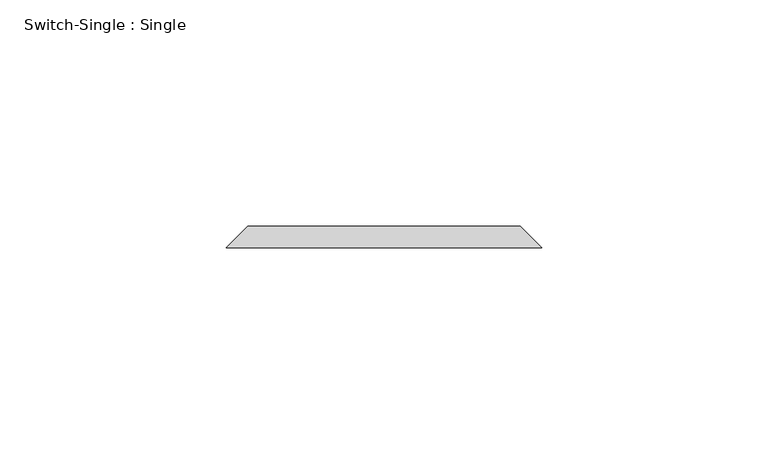
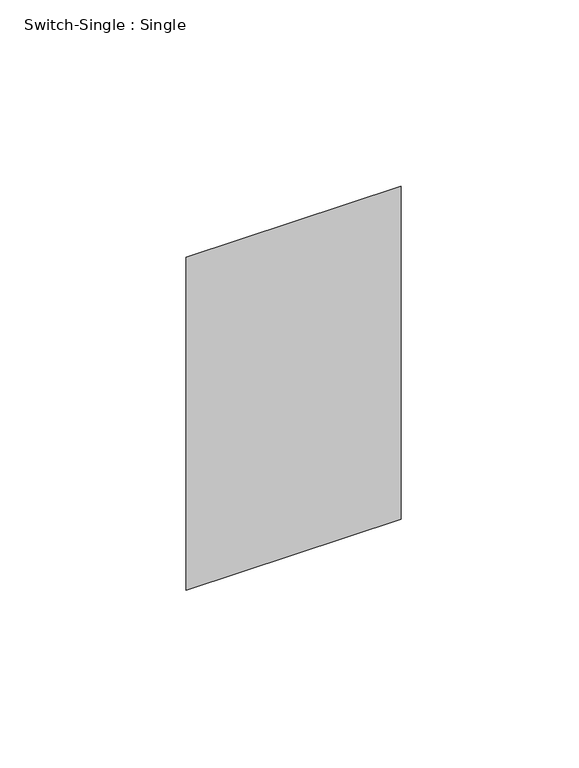
"""IFC4 building model written with IfcOpenShell, lengths in millimetres: proxy geometry, Switch-Single : Single."""

from ifc_helpers import new_model, si_unit, origin, place, context, project, spatial, faceted_brep, source, transform, mapped, element, save


def switch_single_single_f7a742c7(model_context):
    return source(origin(), model_context, "Body", "Brep", [
        faceted_brep([(-30.1625, 66.675, 1271.5875), (30.1625, 66.675, 1271.5875), (30.1625, 66.675, 1166.8125), (-30.1625, 66.675, 1166.8125), (-34.925, 61.9125, 1276.35), (-34.925, 61.9125, 1162.05), (34.925, 61.9125, 1162.05), (34.925, 61.9125, 1276.35)], [[[0, 1, 2, 3]], [[4, 5, 6, 7]], [[4, 7, 1, 0]], [[7, 6, 2, 1]], [[6, 5, 3, 2]], [[5, 4, 0, 3]]]),
    ])


if __name__ == "__main__":
    model = new_model("IFC4")
    model_context = context("Model", 3, world=origin())
    ifc_project = project(units=[si_unit("LENGTHUNIT", "METRE", prefix="MILLI")], contexts=[model_context])
    site = spatial("IfcSite", under=ifc_project)
    building = spatial("IfcBuilding", under=site)
    placement = place(None, origin())
    switch_single_single_shape = switch_single_single_f7a742c7(model_context)
    element("IfcBuildingElementProxy", 1, Name="Switch-Single : Single", ObjectType="Switch-Single : Single", at=placement, inside=building, context=model_context, shape_type="MappedRepresentation", body=[
        mapped(switch_single_single_shape, transform((0.0, 0.0, 0.0), x_axis=(1.0, 0.0, 0.0), y_axis=(0.0, 1.0, 0.0), z_axis=(0.0, 0.0, 1.0))),
    ])
    save(model, "model.ifc")
